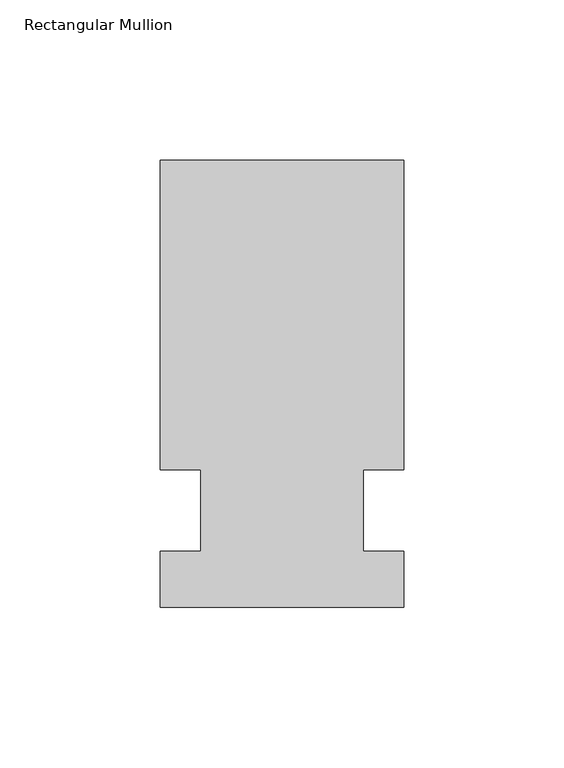
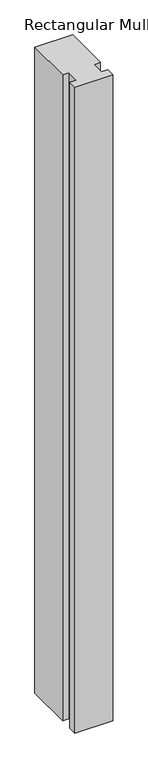
"""IFC4 building model written with IfcOpenShell, lengths in millimetres: member geometry, Rectangular Mullion."""

from ifc_helpers import new_model, si_unit, frame, origin, place, context, project, spatial, polyline, outline, extrude, source, transform, mapped, element, save


def rectangular_mullion_a98d23b5(model_context):
    return source(origin(), model_context, "Body", "SweptSolid", [
        extrude(outline(polyline([(42.4344027, 109.5375), (42.4344027, 12.7), (29.7326322, 12.7), (29.7326322, -12.7), (42.4344027, -12.7), (42.4344027, -30.1625), (-33.7655973, -30.1625), (-33.7655973, -12.7), (-21.0655973, -12.7), (-21.0655973, 12.7), (-33.7655973, 12.7), (-33.7655973, 109.5375), (42.4344027, 109.5375)])), frame((0.0, 0.0, -1378.907264), z_axis=(0.0, 0.0, 1.0), x_axis=(1.0, 0.0, 0.0)), (0.0, 0.0, 1.0), 1378.907264),
    ])


if __name__ == "__main__":
    model = new_model("IFC4")
    model_context = context("Model", 3, world=origin())
    ifc_project = project(units=[si_unit("LENGTHUNIT", "METRE", prefix="MILLI")], contexts=[model_context])
    site = spatial("IfcSite", under=ifc_project)
    building = spatial("IfcBuilding", under=site)
    placement = place(None, origin())
    rectangular_mullion_shape = rectangular_mullion_a98d23b5(model_context)
    element("IfcMember", 1, ObjectType="Rectangular Mullion", at=placement, inside=building, context=model_context, shape_type="MappedRepresentation", body=[
        mapped(rectangular_mullion_shape, transform((0.0, 0.0, 0.0), x_axis=(1.0, 0.0, 0.0), y_axis=(0.0, 1.0, 0.0), z_axis=(0.0, 0.0, 1.0))),
    ])
    save(model, "model.ifc")
